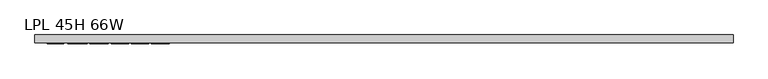
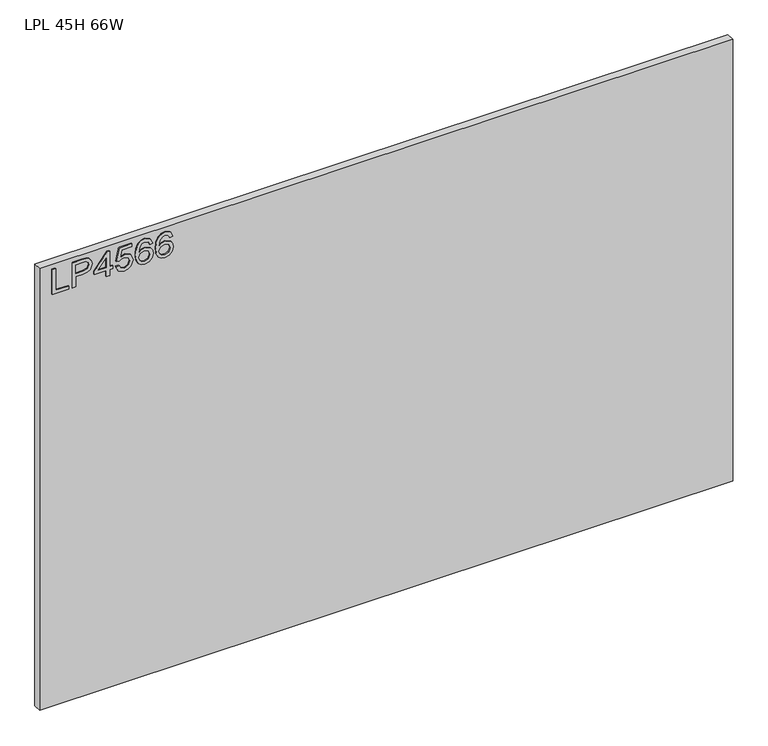
"""IFC4 building model written with IfcOpenShell, lengths in millimetres: furniture geometry, LPL 45H 66W."""

from ifc_helpers import new_model, si_unit, frame, origin, place, context, project, spatial, polyline, outline, extrude, source, transform, mapped, element, save


def lpl_45h_66w_9e7cbc6f(model_context):
    return source(origin(), model_context, "Body", "SweptSolid", [
        extrude(outline(polyline([(2071.6772502, 29.4553512), (2071.6772502, 69.3239493), (2079.6509698, 69.3239493), (2079.6509698, 37.4290708), (2135.4670071, 37.4290708), (2135.4670071, 29.4553512), (2071.6772502, 29.4553512)])), frame((0.0, -21.68525, 0.0), z_axis=(0.0, 1.0, 0.0), x_axis=(0.0, 0.0, 1.0)), (0.0, 0.0, 1.0), 2.38125),
        extrude(outline(polyline([(2071.6772502, 78.2943838), (2071.6772502, 86.2681034), (2097.591839, 86.2681034), (2097.591839, 102.4802951), (2099.0012562, 113.8081941), (2103.2295079, 121.0051769), (2117.0122069, 126.1367015), (2125.7101022, 124.2367137), (2131.8772759, 119.2142047), (2134.859634, 111.4663033), (2135.4670071, 101.9352166), (2135.4670071, 78.2943838), (2071.6772502, 78.2943838)]), holes=[polyline([(2105.5655586, 86.2681034), (2127.4932875, 86.2681034), (2127.4932875, 102.7606212), (2126.948209, 110.7343408), (2123.3351173, 116.1150442), (2116.7318808, 118.1629819), (2108.4934087, 114.6900533), (2105.5655586, 102.9475052), (2105.5655586, 86.2681034)])]), frame((0.0, -21.68525, 0.0), z_axis=(0.0, 1.0, 0.0), x_axis=(0.0, 0.0, 1.0)), (0.0, 0.0, 1.0), 2.38125),
        extrude(outline(polyline([(2071.6772502, 160.0250099), (2071.6772502, 167.9987295), (2086.6279745, 167.9987295), (2086.6279745, 175.9724491), (2094.6016941, 175.9724491), (2094.6016941, 167.9987295), (2134.4702922, 167.9987295), (2134.4702922, 162.0184398), (2094.6016941, 131.1202763), (2086.6279745, 131.1202763), (2086.6279745, 160.0250099), (2071.6772502, 160.0250099)]), holes=[polyline([(2094.6016941, 160.0250099), (2094.6016941, 140.9316891), (2119.2392418, 160.0250099), (2094.6016941, 160.0250099)])]), frame((0.0, -21.68525, 0.0), z_axis=(0.0, 1.0, 0.0), x_axis=(0.0, 0.0, 1.0)), (0.0, 0.0, 1.0), 2.38125),
        extrude(outline(polyline([(2088.6214044, 182.9494538), (2075.5940285, 189.1711354), (2070.6805352, 203.2419473), (2072.5922034, 212.632871), (2078.3272078, 219.8123334), (2093.1221953, 224.8114818), (2107.8237409, 219.259468), (2113.5392782, 205.624719), (2108.9294715, 193.9600393), (2126.4965726, 197.3706733), (2126.4965726, 221.821337), (2134.4702922, 221.821337), (2134.4702922, 190.9231734), (2101.5786988, 183.9461688), (2100.5819838, 191.9198884), (2104.1795018, 196.3973188), (2105.5655586, 203.397684), (2102.0926299, 213.4972097), (2092.6238379, 216.8377622), (2082.4775911, 213.2713915), (2078.6542549, 203.2730946), (2081.4030078, 194.9411806), (2089.6181193, 190.9231734), (2088.6214044, 182.9494538)])), frame((0.0, -21.68525, 0.0), z_axis=(0.0, 1.0, 0.0), x_axis=(0.0, 0.0, 1.0)), (0.0, 0.0, 1.0), 2.38125),
        extrude(outline(polyline([(2118.522853, 272.6537995), (2130.9662162, 266.7669518), (2135.4670071, 254.1678519), (2133.648781, 244.9131978), (2128.1941027, 237.7687762), (2117.3353605, 232.5360227), (2101.4541094, 230.7917715), (2087.3287897, 232.3627656), (2077.844424, 237.0757478), (2072.4715074, 244.2805174), (2070.6805352, 253.3268736), (2073.3825672, 263.776807), (2081.1694028, 271.018564), (2092.1722014, 273.6505145), (2100.3444853, 272.2527775), (2106.8581733, 268.0595665), (2112.5425632, 254.5104727), (2110.4634781, 245.7970037), (2104.1016335, 238.7654911), (2118.3126084, 241.0314603), (2125.5621523, 246.4744583), (2127.4932875, 253.6694944), (2124.1760956, 261.6587877), (2117.526138, 264.6800799), (2118.522853, 272.6537995)]), holes=[polyline([(2092.2967908, 238.7654911), (2101.1815702, 242.7289904), (2104.5688436, 252.3768797), (2101.1815702, 262.1493583), (2091.907449, 265.6767948), (2082.2206256, 262.1026373), (2078.6542549, 252.7039268), (2080.3751455, 245.5166776), (2085.3898676, 240.6109712), (2092.2967908, 238.7654911)])]), frame((0.0, -21.68525, 0.0), z_axis=(0.0, 1.0, 0.0), x_axis=(0.0, 0.0, 1.0)), (0.0, 0.0, 1.0), 2.38125),
        extrude(outline(polyline([(2118.522853, 321.4928322), (2130.9662162, 315.6059845), (2135.4670071, 303.0068845), (2133.648781, 293.7522305), (2128.1941027, 286.6078088), (2117.3353605, 281.3750553), (2101.4541094, 279.6308042), (2087.3287897, 281.2017983), (2077.844424, 285.9147805), (2072.4715074, 293.1195501), (2070.6805352, 302.1659063), (2073.3825672, 312.6158396), (2081.1694028, 319.8575967), (2092.1722014, 322.4895471), (2100.3444853, 321.0918101), (2106.8581733, 316.8985992), (2112.5425632, 303.3495053), (2110.4634781, 294.6360363), (2104.1016335, 287.6045238), (2118.3126084, 289.8704929), (2125.5621523, 295.313491), (2127.4932875, 302.5085271), (2124.1760956, 310.4978204), (2117.526138, 313.5191126), (2118.522853, 321.4928322)]), holes=[polyline([(2092.2967908, 287.6045238), (2101.1815702, 291.5680231), (2104.5688436, 301.2159124), (2101.1815702, 310.988391), (2091.907449, 314.5158275), (2082.2206256, 310.94167), (2078.6542549, 301.5429595), (2080.3751455, 294.3557102), (2085.3898676, 289.4500038), (2092.2967908, 287.6045238)])]), frame((0.0, -21.68525, 0.0), z_axis=(0.0, 1.0, 0.0), x_axis=(0.0, 0.0, 1.0)), (0.0, 0.0, 1.0), 2.38125),
        extrude(outline(polyline([(1676.4, 0.0), (1676.4, -19.304), (0.0, -19.304), (0.0, 0.0), (1676.4, 0.0)])), frame((0.0, 0.0, 1016.0), z_axis=(0.0, 0.0, 1.0), x_axis=(1.0, 0.0, 0.0)), (0.0, 0.0, 1.0), 1130.3),
    ])


if __name__ == "__main__":
    model = new_model("IFC4")
    model_context = context("Model", 3, world=origin())
    ifc_project = project(units=[si_unit("LENGTHUNIT", "METRE", prefix="MILLI")], contexts=[model_context])
    site = spatial("IfcSite", under=ifc_project)
    building = spatial("IfcBuilding", under=site)
    placement = place(None, origin())
    lpl_45h_66w_shape = lpl_45h_66w_9e7cbc6f(model_context)
    element("IfcFurniture", 1, ObjectType="LPL 45H 66W", at=placement, inside=building, context=model_context, shape_type="MappedRepresentation", body=[
        mapped(lpl_45h_66w_shape, transform((0.0, 0.0, 0.0), x_axis=(1.0, 0.0, 0.0), y_axis=(0.0, 1.0, 0.0), z_axis=(0.0, 0.0, 1.0))),
    ])
    save(model, "model.ifc")
